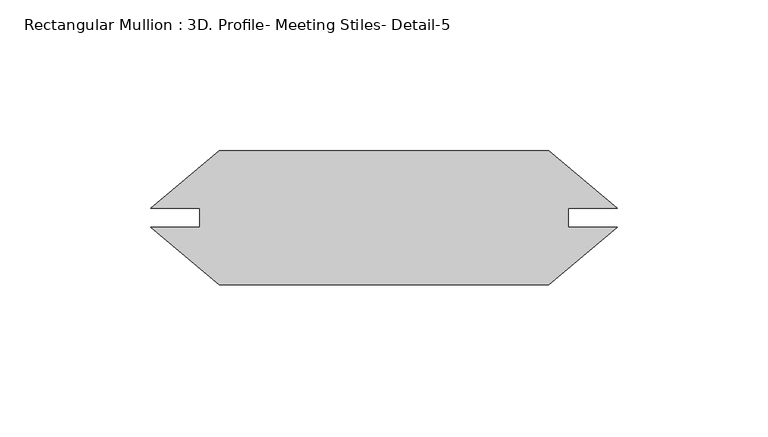
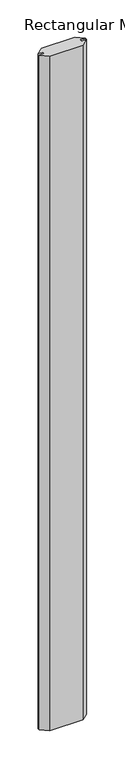
"""IFC4 building model written with IfcOpenShell, lengths in millimetres: member geometry, Rectangular Mullion : 3D. Profile- Meeting Stiles- Detail-5."""

import ifcopenshell
import ifcopenshell.guid

model = None  # the IFC model being written
_history = None  # IfcOwnerHistory: only IFC2X3 demands one
_inside = {}  # id of a spatial element -> (the spatial element, [elements in it])
_under = {}  # id of a project, library or spatial element -> (it, [spatial elements below it])
_declared = {}  # id of a project -> (the project, [libraries it declares])
_typed = {}  # id of a type object -> (the type object, [elements of that type])
_made_of = {}  # id of a material, layer set ... -> (it, [elements and type objects made of it])


def new_model(schema):
    """Start an empty IFC model of exactly this schema.

    Asked for "IFC4X3", IfcOpenShell would pick the latest addendum, in which some entities
    have other attributes; the version numbers below select the first issue.
    IFC2X3 requires an IfcOwnerHistory on every rooted entity: one is made here for all.
    """
    global model, _history
    if schema == "IFC4X3":
        model = ifcopenshell.file(schema_version=(4, 3, 0, 0))
    else:
        model = ifcopenshell.file(schema=schema)
    _inside.clear()
    _under.clear()
    _declared.clear()
    _typed.clear()
    _made_of.clear()
    _history = None
    if model.schema == "IFC2X3":
        org = make("IfcOrganization", Name="unknown")
        user = make(
            "IfcPersonAndOrganization",
            ThePerson=make("IfcPerson", FamilyName="unknown"),
            TheOrganization=org,
        )
        app = make(
            "IfcApplication",
            ApplicationDeveloper=org,
            Version="unknown",
            ApplicationFullName="unknown",
            ApplicationIdentifier="unknown",
        )
        _history = make(
            "IfcOwnerHistory",
            OwningUser=user,
            OwningApplication=app,
            ChangeAction="ADDED",
            CreationDate=0,
        )
    return model


def make(cls, **values):
    """One entity of the class cls with the attributes given. An attribute that is None is left unset."""
    return model.create_entity(
        cls, **{name: value for name, value in values.items() if value is not None}
    )


def rooted(cls, **values):
    """An entity with a GlobalId (a new one), such as an element, a storey or a relation."""
    return make(cls, GlobalId=ifcopenshell.guid.new(), OwnerHistory=_history, **values)


def si_unit(unit_type, name, prefix=None):
    """IfcSIUnit, for example si_unit("LENGTHUNIT", "METRE", prefix="MILLI")."""
    return make("IfcSIUnit", UnitType=unit_type, Prefix=prefix, Name=name)


def assignment(units):
    """IfcUnitAssignment: the units of a project."""
    return None if units is None else make("IfcUnitAssignment", Units=units)


def point(xyz):
    """IfcCartesianPoint."""
    return None if xyz is None else make("IfcCartesianPoint", Coordinates=xyz)


def direction(xyz):
    """IfcDirection."""
    return None if xyz is None else make("IfcDirection", DirectionRatios=xyz)


def frame(location, z_axis=None, x_axis=None):
    """IfcAxis2Placement3D, a coordinate frame: its origin and axes. An axis left out is left unset."""
    return make(
        "IfcAxis2Placement3D",
        Location=point(location),
        Axis=direction(z_axis),
        RefDirection=direction(x_axis),
    )


def origin():
    """The frame at (0, 0, 0) with its axes left unset."""
    return frame((0.0, 0.0, 0.0))


def place(relative_to, where):
    """IfcLocalPlacement: puts the frame where relative to a parent placement (None: the world)."""
    return make(
        "IfcLocalPlacement", PlacementRelTo=relative_to, RelativePlacement=where
    )


def context(
    kind, dimensions, precision=None, world=None, true_north=None, identifier=None
):
    """IfcGeometricRepresentationContext, for example the 3D "Model" context."""
    return make(
        "IfcGeometricRepresentationContext",
        ContextIdentifier=identifier,
        ContextType=kind,
        CoordinateSpaceDimension=dimensions,
        Precision=precision,
        WorldCoordinateSystem=world,
        TrueNorth=true_north,
    )


def project(units=None, contexts=None):
    """IfcProject with its units and contexts."""
    return rooted(
        "IfcProject",
        Name="project",
        RepresentationContexts=contexts,
        UnitsInContext=assignment(units),
    )


def spatial(cls, under=None, at=None, **own):
    """A site, building, storey or space (cls), placed at a placement, below another one or the project."""
    s = rooted(cls, ObjectPlacement=at, **own)
    if under is not None:
        _under.setdefault(under.id(), (under, []))[1].append(s)
    return s


def polyline(points):
    """IfcPolyline through the points."""
    return make("IfcPolyline", Points=[point(p) for p in points])


def outline(outer, holes=None, kind="AREA"):
    """IfcArbitraryClosedProfileDef: a profile drawn as a closed curve; with holes, ...WithVoids."""
    if holes is None:
        return make("IfcArbitraryClosedProfileDef", ProfileType=kind, OuterCurve=outer)
    return make(
        "IfcArbitraryProfileDefWithVoids",
        ProfileType=kind,
        OuterCurve=outer,
        InnerCurves=holes,
    )


def extrude(swept, where, along, depth):
    """IfcExtrudedAreaSolid: the profile swept, set in the frame where, extruded along a direction by depth."""
    return make(
        "IfcExtrudedAreaSolid",
        SweptArea=swept,
        Position=where,
        ExtrudedDirection=direction(along),
        Depth=depth,
    )


def shape(context_of_items, identifier, shape_type, items):
    """IfcShapeRepresentation: the items that make up one representation, for example the "Body"."""
    return make(
        "IfcShapeRepresentation",
        ContextOfItems=context_of_items,
        RepresentationIdentifier=identifier,
        RepresentationType=shape_type,
        Items=items,
    )


def source(mapping_origin, context_of_items, identifier, shape_type, items):
    """IfcRepresentationMap: a shape defined once, which mapped items show again and again."""
    return make(
        "IfcRepresentationMap",
        MappingOrigin=mapping_origin,
        MappedRepresentation=shape(context_of_items, identifier, shape_type, items),
    )


def transform(
    local_origin,
    x_axis=None,
    y_axis=None,
    z_axis=None,
    scale=None,
    scale2=None,
    scale3=None,
    uniform=True,
):
    """IfcCartesianTransformationOperator3D, or its non-uniform kind. x_axis, y_axis, z_axis: its Axis1, 2, 3."""
    if uniform:
        return make(
            "IfcCartesianTransformationOperator3D",
            Axis1=direction(x_axis),
            Axis2=direction(y_axis),
            LocalOrigin=point(local_origin),
            Scale=scale,
            Axis3=direction(z_axis),
        )
    return make(
        "IfcCartesianTransformationOperator3DnonUniform",
        Axis1=direction(x_axis),
        Axis2=direction(y_axis),
        LocalOrigin=point(local_origin),
        Scale=scale,
        Axis3=direction(z_axis),
        Scale2=scale2,
        Scale3=scale3,
    )


def mapped(mapping_source, mapping_target):
    """IfcMappedItem: shows the shape of a source again, moved by a transform."""
    return make(
        "IfcMappedItem", MappingSource=mapping_source, MappingTarget=mapping_target
    )


def made_of(thing, what):
    """Note that an element or type object is made of a material, layer set ...; save() writes the relation."""
    if what is not None:
        _made_of.setdefault(what.id(), (what, []))[1].append(thing)
    return thing


def element(
    cls,
    number,
    at=None,
    inside=None,
    cuts=None,
    type_object=None,
    material=None,
    context=None,
    identifier="Body",
    shape_type=None,
    held_by="IfcProductDefinitionShape",
    body=None,
    shapes=None,
    **own,
):
    """One element of the class cls, such as IfcWall. Its Tag is "e" and its number.

    at: its placement. inside: the storey or other place that contains it. cuts: it is an
    opening in that element (IfcRelVoidsElement). A single representation is given by context,
    identifier, shape_type and body (its items); several are given by shapes. held_by: the class
    of the entity that holds the representations. save() writes the other relations.
    """
    e = rooted(cls, Tag="e%d" % number, ObjectPlacement=at, **own)
    if body is not None:
        shapes = [shape(context, identifier, shape_type, body)]
    if shapes is not None:
        e.Representation = make(held_by, Representations=shapes)
    if inside is not None:
        _inside.setdefault(inside.id(), (inside, []))[1].append(e)
    if cuts is not None:
        rooted(
            "IfcRelVoidsElement", RelatingBuildingElement=cuts, RelatedOpeningElement=e
        )
    if type_object is not None:
        _typed.setdefault(type_object.id(), (type_object, []))[1].append(e)
    return made_of(e, material)


def aggregate(whole, parts):
    """IfcRelAggregates: a whole, such as a stair, and the parts it consists of."""
    return rooted("IfcRelAggregates", RelatingObject=whole, RelatedObjects=parts)


def save(model, path):
    """Write the relations noted so far, then the file.

    IfcRelAggregates (storeys below a building ...), IfcRelContainedInSpatialStructure (elements
    in a storey), IfcRelDefinesByType, IfcRelAssociatesMaterial and IfcRelDeclares: one each for
    every whole, place, type object, material and project.
    """
    for whole, parts in _under.values():
        aggregate(whole, parts)
    for where, things in _inside.values():
        rooted(
            "IfcRelContainedInSpatialStructure",
            RelatedElements=things,
            RelatingStructure=where,
        )
    for kind, things in _typed.values():
        rooted("IfcRelDefinesByType", RelatedObjects=things, RelatingType=kind)
    for what, things in _made_of.values():
        rooted("IfcRelAssociatesMaterial", RelatedObjects=things, RelatingMaterial=what)
    for by, libraries in _declared.values():
        rooted("IfcRelDeclares", RelatingContext=by, RelatedDefinitions=libraries)
    model.write(path)


def rectangular_mullion_3d_profile_meeting_stiles_detail_5_77a7c79d(model_context):
    return source(origin(), model_context, "Body", "SweptSolid", [
        extrude(outline(polyline([(53.2916953, -4.8617188), (-56.0915872, -4.8617187), (-78.8099198, 14.2012258), (-62.5186175, 14.2012258), (-62.5186175, 20.5253367), (-78.8099198, 20.5253367), (-56.0915872, 39.5882813), (53.2916953, 39.5882812), (76.0100279, 20.5253367), (59.7314256, 20.5253367), (59.7314256, 14.2012258), (76.0100279, 14.2012258), (53.2916953, -4.8617188)])), frame((0.0, 0.0, -2331.7409899), z_axis=(0.0, 0.0, 1.0), x_axis=(1.0, 0.0, 0.0)), (0.0, 0.0, 1.0), 2331.7409899),
    ])


if __name__ == "__main__":
    model = new_model("IFC4")
    model_context = context("Model", 3, world=origin())
    ifc_project = project(units=[si_unit("LENGTHUNIT", "METRE", prefix="MILLI")], contexts=[model_context])
    site = spatial("IfcSite", under=ifc_project)
    building = spatial("IfcBuilding", under=site)
    placement = place(None, origin())
    rectangular_mullion_3d_profile_meeting_stiles_detail_5_shape = rectangular_mullion_3d_profile_meeting_stiles_detail_5_77a7c79d(model_context)
    element("IfcMember", 1, ObjectType="Rectangular Mullion : 3D. Profile- Meeting Stiles- Detail-5", at=placement, inside=building, context=model_context, shape_type="MappedRepresentation", body=[
        mapped(rectangular_mullion_3d_profile_meeting_stiles_detail_5_shape, transform((0.0, 0.0, 0.0), x_axis=(1.0, 0.0, 0.0), y_axis=(0.0, 1.0, 0.0), z_axis=(0.0, 0.0, 1.0))),
    ])
    save(model, "model.ifc")
